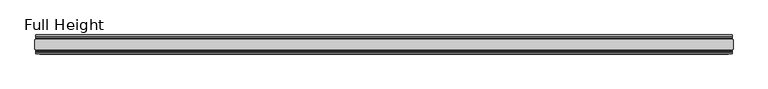
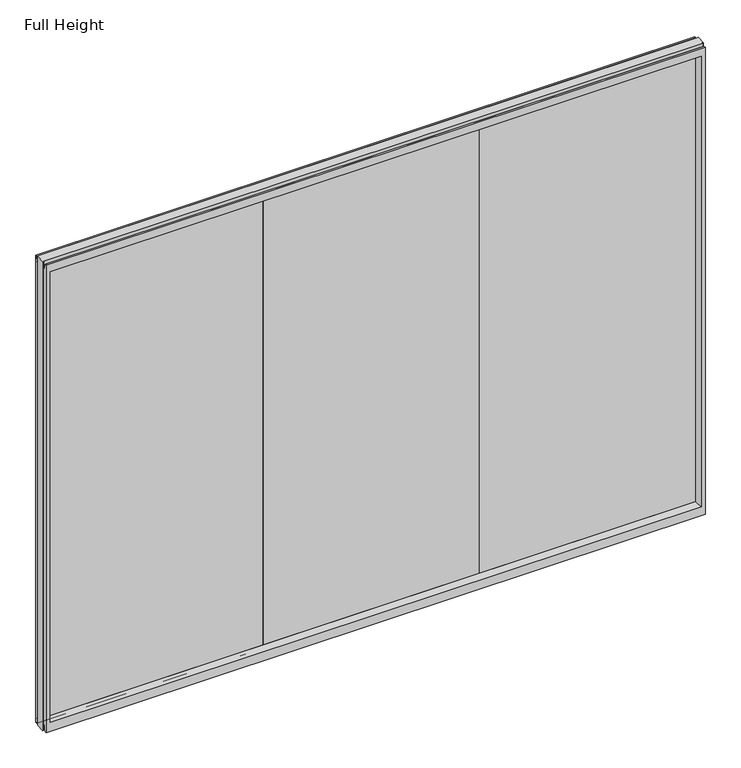
"""IFC4 building model written with IfcOpenShell, lengths in millimetres: plate geometry, Full Height."""

from ifc_helpers import new_model, si_unit, frame, origin, place, context, project, spatial, polyline, circle_curve, outline, extrude, source, transform, mapped, element, save
from ifc_brep_helpers import plane_surface, cylinder_surface, revolved_surface, advanced_brep


def full_height_88d308dd(model_context):
    return source(origin(), model_context, "Body", "SolidModel", [
        extrude(outline(polyline([(598.7203333, 6.35), (598.7203333, -6.35), (-598.7203333, -6.35), (-598.7203333, 6.35), (598.7203333, 6.35)])), frame((0.0, 0.0, 58.801), z_axis=(0.0, 0.0, 1.0), x_axis=(1.0, 0.0, 0.0)), (0.0, 0.0, 1.0), 2624.709),
        extrude(outline(polyline([(-598.7203333, 6.35), (-598.7203333, -6.35), (-1796.161, -6.35), (-1796.161, 6.35), (-598.7203333, 6.35)])), frame((0.0, 0.0, 58.801), z_axis=(0.0, 0.0, 1.0), x_axis=(1.0, 0.0, 0.0)), (0.0, 0.0, 1.0), 2624.709),
        extrude(outline(polyline([(598.7203333, 6.35), (1796.161, 6.35), (1796.161, -6.35), (598.7203333, -6.35), (598.7203333, 6.35)])), frame((0.0, 0.0, 58.801), z_axis=(0.0, 0.0, 1.0), x_axis=(1.0, 0.0, 0.0)), (0.0, 0.0, 1.0), 2624.709),
        advanced_brep(
        [(1828.8, 25.146, 2743.2), (1824.228, 25.146, 2743.2), (1824.228, 26.67, 2743.2), (-1824.228, 26.67, 2743.2), (-1824.228, 25.146, 2743.2), (-1828.8, 25.146, 2743.2), (-1828.8, -25.146, 2743.2), (-1824.228, -25.146, 2743.2), (-1824.228, -26.67, 2743.2), (1824.228, -26.67, 2743.2), (1824.228, -25.146, 2743.2), (1828.8, -25.146, 2743.2), (1828.8, 25.146, 0.0), (1828.8, -25.146, 0.0), (1824.228, -25.146, 0.0), (1824.228, -26.67, 0.0), (-1824.228, -26.67, 0.0), (-1824.228, -25.146, 0.0), (-1828.8, -25.146, 0.0), (-1828.8, 25.146, 0.0), (-1824.228, 25.146, 0.0), (-1824.228, 26.67, 0.0), (1824.228, 26.67, 0.0), (1824.228, 25.146, 0.0), (-1824.228, 40.7946686, 0.0), (-1824.228, 50.0, 0.0), (1824.228, 50.0, 0.0), (1824.228, 40.7946686, 0.0), (-1824.228, 26.67, 36.4542208), (1824.228, 26.67, 36.4542208), (-1824.228, -26.67, 36.4542208), (-1824.228, -34.2686707, 36.8568054), (-1824.228, -36.9464913, 11.6561909), (-1824.228, -39.043018, 8.6755976), (-1824.228, -39.5246686, 7.9074686), (-1824.228, -39.5246686, 1.27), (-1824.228, -40.7946686, 0.0), (-1824.228, -50.0, 0.0), (-1824.228, -50.0, 2734.056), (-1824.228, -39.9371387, 2734.056), (-1824.228, -39.1867152, 2733.4263199), (-1824.228, -34.2321175, 2705.3274004), (-1824.228, -26.67, 2705.989), (-1824.228, 39.5246686, 1.27), (-1824.228, 39.5246686, 7.9074686), (-1824.228, 39.043018, 8.6755976), (-1824.228, 36.9464913, 11.6561909), (-1824.228, 34.2686707, 36.8568054), (-1824.228, 26.67, 2705.989), (-1824.228, 34.2321175, 2705.3274004), (-1824.228, 39.1867152, 2733.4263199), (-1824.228, 39.9371387, 2734.056), (-1824.228, 50.0, 2734.056), (1824.228, -50.0, 0.0), (1824.228, -50.0, 2734.056), (-1802.13, -50.0, 2689.479), (1802.13, -50.0, 2689.479), (1802.13, -50.0, 52.8372208), (-1802.13, -50.0, 52.8372208), (1824.228, 50.0, 2734.056), (-1802.13, 50.0, 52.8372208), (1802.13, 50.0, 52.8372208), (1802.13, 50.0, 2689.479), (-1802.13, 50.0, 2689.479), (-1796.161, -6.1006519, 58.8062208), (-1796.161, -6.1006519, 2683.51), (-1796.161, 6.1006519, 2683.51), (-1796.161, 6.1006519, 58.8062208), (1796.161, 6.1006519, 58.8062208), (1796.161, 6.1006519, 2683.51), (1796.161, -6.1006519, 2683.51), (1796.161, -6.1006519, 58.8062208), (1824.228, -40.7946686, 0.0), (1824.228, -39.5246686, 1.27), (1824.228, -39.5246686, 7.9074686), (1824.228, -39.043018, 8.6755976), (1824.228, -36.9464913, 11.6561909), (1824.228, -34.2686707, 36.8568054), (1824.228, -26.67, 36.4542208), (1824.228, -26.67, 2705.989), (1824.228, -34.2321175, 2705.3274004), (1824.228, -39.1867152, 2733.4263199), (1824.228, -39.9371387, 2734.056), (1824.228, 39.9371387, 2734.056), (1824.228, 39.1867152, 2733.4263199), (1824.228, 34.2321175, 2705.3274004), (1824.228, 26.67, 2705.989), (1824.228, 34.2686707, 36.8568054), (1824.228, 36.9464913, 11.6561909), (1824.228, 39.043018, 8.6755976), (1824.228, 39.5246686, 7.9074686), (1824.228, 39.5246686, 1.27)],
        [
            (0, 1),
            (1, 2),
            (2, 3),
            (3, 4),
            (4, 5),
            (5, 6),
            (6, 7),
            (7, 8),
            (8, 9),
            (9, 10),
            (10, 11),
            (11, 0),
            (12, 13),
            (13, 14),
            (14, 15),
            (15, 16),
            (16, 17),
            (17, 18),
            (18, 19),
            (19, 20),
            (20, 21),
            (21, 22),
            (22, 23),
            (23, 12),
            (23, 1),
            (0, 12),
            (10, 14),
            (13, 11),
            (5, 19),
            (18, 6),
            (17, 7),
            (4, 20),
            (24, 25),
            (25, 26),
            (26, 27),
            (27, 24),
            (21, 28),
            (28, 29),
            (29, 22),
            (16, 30),
            (30, 31, circle_curve(frame((-1824.228, -30.48, 36.4542208), z_axis=(1.0, 0.0, 0.0), x_axis=(0.0, -1.0, 0.0)), 3.81)),
            (31, 32),
            (32, 33, circle_curve(frame((-1824.228, -40.6770502, 12.0526006), z_axis=(-1.0, 0.0, 0.0), x_axis=(0.0, -1.0, 0.0)), 3.751561)),
            (33, 34, circle_curve(frame((-1824.228, -38.671343, 7.9074686), z_axis=(1.0, 0.0, 0.0), x_axis=(0.0, -1.0, 0.0)), 0.8533256)),
            (34, 35),
            (35, 36, circle_curve(frame((-1824.228, -40.7946686, 1.27), z_axis=(-1.0, 0.0, 0.0), x_axis=(0.0, -1.0, 0.0)), 1.27)),
            (36, 37),
            (37, 38),
            (38, 39),
            (39, 40, circle_curve(frame((-1824.228, -39.9371387, 2733.294), z_axis=(-1.0, 0.0, 0.0), x_axis=(0.0, -1.0, 0.0)), 0.762)),
            (40, 41),
            (41, 42, circle_curve(frame((-1824.228, -30.48, 2705.989), z_axis=(1.0, 0.0, 0.0), x_axis=(0.0, -1.0, 0.0)), 3.81)),
            (42, 8),
            (24, 43, circle_curve(frame((-1824.228, 40.7946686, 1.27), z_axis=(-1.0, 0.0, 0.0), x_axis=(0.0, -1.0, 0.0)), 1.27)),
            (43, 44),
            (44, 45, circle_curve(frame((-1824.228, 38.671343, 7.9074686), z_axis=(1.0, 0.0, 0.0), x_axis=(0.0, -1.0, 0.0)), 0.8533256)),
            (45, 46, circle_curve(frame((-1824.228, 40.6770502, 12.0526006), z_axis=(-1.0, 0.0, 0.0), x_axis=(0.0, -1.0, 0.0)), 3.751561)),
            (46, 47),
            (47, 28, circle_curve(frame((-1824.228, 30.48, 36.4542208), z_axis=(1.0, 0.0, 0.0), x_axis=(0.0, -1.0, 0.0)), 3.81)),
            (3, 48),
            (48, 49, circle_curve(frame((-1824.228, 30.48, 2705.989), z_axis=(1.0, 0.0, 0.0), x_axis=(0.0, -1.0, 0.0)), 3.81)),
            (49, 50),
            (50, 51, circle_curve(frame((-1824.228, 39.9371387, 2733.294), z_axis=(-1.0, 0.0, 0.0), x_axis=(0.0, -1.0, 0.0)), 0.762)),
            (51, 52),
            (52, 25),
            (37, 53),
            (53, 54),
            (54, 38),
            (55, 56),
            (56, 57),
            (57, 58),
            (58, 55),
            (52, 59),
            (59, 26),
            (60, 61),
            (61, 62),
            (62, 63),
            (63, 60),
            (58, 64),
            (64, 65),
            (65, 55),
            (63, 66),
            (66, 67),
            (67, 60),
            (61, 68),
            (68, 69),
            (69, 62),
            (70, 71),
            (71, 57),
            (56, 70),
            (53, 72),
            (72, 73, circle_curve(frame((1824.228, -40.7946686, 1.27), z_axis=(1.0, 0.0, 0.0), x_axis=(0.0, -1.0, 0.0)), 1.27)),
            (73, 74),
            (74, 75, circle_curve(frame((1824.228, -38.671343, 7.9074686), z_axis=(-1.0, 0.0, 0.0), x_axis=(0.0, -1.0, 0.0)), 0.8533256)),
            (75, 76, circle_curve(frame((1824.228, -40.6770502, 12.0526006), z_axis=(1.0, 0.0, 0.0), x_axis=(0.0, -1.0, 0.0)), 3.751561)),
            (76, 77),
            (77, 78, circle_curve(frame((1824.228, -30.48, 36.4542208), z_axis=(-1.0, 0.0, 0.0), x_axis=(0.0, -1.0, 0.0)), 3.81)),
            (78, 15),
            (9, 79),
            (79, 80, circle_curve(frame((1824.228, -30.48, 2705.989), z_axis=(-1.0, 0.0, 0.0), x_axis=(0.0, -1.0, 0.0)), 3.81)),
            (80, 81),
            (81, 82, circle_curve(frame((1824.228, -39.9371387, 2733.294), z_axis=(1.0, 0.0, 0.0), x_axis=(0.0, -1.0, 0.0)), 0.762)),
            (82, 54),
            (59, 83),
            (83, 84, circle_curve(frame((1824.228, 39.9371387, 2733.294), z_axis=(1.0, 0.0, 0.0), x_axis=(0.0, -1.0, 0.0)), 0.762)),
            (84, 85),
            (85, 86, circle_curve(frame((1824.228, 30.48, 2705.989), z_axis=(-1.0, 0.0, 0.0), x_axis=(0.0, -1.0, 0.0)), 3.81)),
            (86, 2),
            (29, 87, circle_curve(frame((1824.228, 30.48, 36.4542208), z_axis=(-1.0, 0.0, 0.0), x_axis=(0.0, -1.0, 0.0)), 3.81)),
            (87, 88),
            (88, 89, circle_curve(frame((1824.228, 40.6770502, 12.0526006), z_axis=(1.0, 0.0, 0.0), x_axis=(0.0, -1.0, 0.0)), 3.751561)),
            (89, 90, circle_curve(frame((1824.228, 38.671343, 7.9074686), z_axis=(-1.0, 0.0, 0.0), x_axis=(0.0, -1.0, 0.0)), 0.8533256)),
            (90, 91),
            (91, 27, circle_curve(frame((1824.228, 40.7946686, 1.27), z_axis=(1.0, 0.0, 0.0), x_axis=(0.0, -1.0, 0.0)), 1.27)),
            (91, 43),
            (90, 44),
            (89, 45),
            (88, 46),
            (87, 47),
            (78, 30),
            (31, 77),
            (76, 32),
            (75, 33),
            (74, 34),
            (73, 35),
            (72, 36),
            (71, 64),
            (67, 68),
            (86, 48),
            (85, 49),
            (84, 50),
            (83, 51),
            (69, 66),
            (65, 70),
            (82, 39),
            (81, 40),
            (80, 41),
            (79, 42),
            (65, 66),
            (69, 70),
            (71, 68),
            (67, 64),
        ],
        [
            plane_surface(frame((1824.228, 25.146, 2743.2), z_axis=(0.0, 0.0, 1.0), x_axis=(-1.0, 0.0, 0.0))),
            plane_surface(frame((1824.228, 25.146, 0.0), z_axis=(0.0, 0.0, -1.0), x_axis=(1.0, 0.0, 0.0))),
            plane_surface(frame((1828.8, 25.146, 2743.2), z_axis=(0.0, 1.0, 0.0), x_axis=(0.0, 0.0, -1.0))),
            plane_surface(frame((1824.228, -25.146, 2743.2), z_axis=(0.0, -1.0, 0.0), x_axis=(0.0, 0.0, -1.0))),
            plane_surface(frame((1828.8, -25.146, 2743.2), z_axis=(1.0, 0.0, 0.0), x_axis=(0.0, 0.0, -1.0))),
            plane_surface(frame((-1828.8, 25.146, 2743.2), z_axis=(-1.0, 0.0, 0.0), x_axis=(0.0, 0.0, -1.0))),
            plane_surface(frame((-1828.8, -25.146, 2743.2), z_axis=(0.0, -1.0, 0.0), x_axis=(0.0, 0.0, -1.0))),
            plane_surface(frame((-1824.228, 25.146, 2743.2), z_axis=(0.0, 1.0, 0.0), x_axis=(0.0, 0.0, -1.0))),
            plane_surface(frame((-1824.228, 50.0, 0.0), z_axis=(0.0, 0.0, -1.0), x_axis=(1.0, 0.0, 0.0))),
            plane_surface(frame((-1824.228, 26.67, 36.4542208), z_axis=(0.0, 1.0, 0.0), x_axis=(1.0, 0.0, 0.0))),
            plane_surface(frame((-1824.228, 50.0, 2701.2646), z_axis=(-1.0, 0.0, 0.0), x_axis=(0.0, 0.0, -1.0))),
            plane_surface(frame((-1824.228, -50.0, 2701.2646), z_axis=(0.0, -1.0, 0.0), x_axis=(0.0, 0.0, -1.0))),
            plane_surface(frame((-1802.13, 50.0, 2701.2646), z_axis=(0.0, 1.0, 0.0), x_axis=(0.0, 0.0, -1.0))),
            plane_surface(frame((-1802.13, -50.0, 2701.2646), z_axis=(0.9908822943533606, -0.13473039277393942, 0.0), x_axis=(0.0, 0.0, -1.0))),
            plane_surface(frame((-1796.161, 6.1006519, 2701.2646), z_axis=(0.9908822943533612, 0.13473039277393595, 0.0), x_axis=(0.0, 0.0, -1.0))),
            plane_surface(frame((1802.13, 50.0, 2701.2646), z_axis=(-0.9908822943533577, 0.13473039277396132, 0.0), x_axis=(0.0, 0.0, -1.0))),
            plane_surface(frame((1796.161, -6.1006519, 2701.2646), z_axis=(-0.9908822943533535, -0.13473039277399257, 0.0), x_axis=(0.0, 0.0, -1.0))),
            plane_surface(frame((1824.228, -50.0, 2701.2646), z_axis=(1.0, 0.0, 0.0), x_axis=(0.0, 0.0, -1.0))),
            cylinder_surface(frame((1824.228, 40.7946686, 1.27), z_axis=(-1.0, 0.0, 0.0), x_axis=(0.0, -1.0, 0.0)), 1.27),
            plane_surface(frame((-1824.228, 39.5246686, 1.27), z_axis=(0.0, -1.0, 0.0), x_axis=(1.0, 0.0, 0.0))),
            revolved_surface(polyline([(1824.228, 37.8180174, 7.9074686), (-1824.228, 37.8180174, 7.9074686)]), (1824.228, 38.671343, 7.9074686), (1.0, 0.0, 0.0)),
            cylinder_surface(frame((1824.228, 40.6770502, 12.0526006), z_axis=(-1.0, 0.0, 0.0), x_axis=(0.0, -1.0, 0.0)), 3.751561),
            plane_surface(frame((-1824.228, 36.9464913, 11.6561909), z_axis=(0.0, -0.9944017560866671, -0.10566526151840352), x_axis=(1.0, 0.0, 0.0))),
            plane_surface(frame((-1824.228, -26.67, 0.0), z_axis=(0.0, -1.0, 0.0), x_axis=(1.0, 0.0, 0.0))),
            plane_surface(frame((-1824.228, -34.2686707, 36.8568054), z_axis=(0.0, 0.9944017560866221, -0.1056652615188275), x_axis=(1.0, 0.0, 0.0))),
            cylinder_surface(frame((1824.228, -40.6770502, 12.0526006), z_axis=(-1.0, 0.0, 0.0), x_axis=(0.0, -1.0, 0.0)), 3.751561),
            revolved_surface(polyline([(1824.228, -39.5246686, 7.9074686), (-1824.228, -39.5246686, 7.9074686)]), (1824.228, -38.671343, 7.9074686), (1.0, 0.0, 0.0)),
            plane_surface(frame((-1824.228, -39.5246686, 7.9074686), z_axis=(0.0, 1.0, 0.0), x_axis=(1.0, 0.0, 0.0))),
            cylinder_surface(frame((1824.228, -40.7946686, 1.27), z_axis=(-1.0, 0.0, 0.0), x_axis=(0.0, -1.0, 0.0)), 1.27),
            plane_surface(frame((-1824.228, -40.7946686, 0.0), z_axis=(0.0, 0.0, -1.0), x_axis=(1.0, 0.0, 0.0))),
            plane_surface(frame((-1824.228, -50.0, 52.8372208), z_axis=(0.0, -0.13473039277394736, 0.9908822943533596), x_axis=(1.0, 0.0, 0.0))),
            plane_surface(frame((-1824.228, 6.1006519, 58.8062208), z_axis=(0.0, 0.13473039277399934, 0.9908822943533526), x_axis=(1.0, 0.0, 0.0))),
            revolved_surface(polyline([(1824.228, 26.67, 36.4542208), (-1824.228, 26.67, 36.4542208)]), (1824.228, 30.48, 36.4542208), (1.0, 0.0, 0.0)),
            revolved_surface(polyline([(1824.228, -34.29, 36.4542208), (-1824.228, -34.29, 36.4542208)]), (1824.228, -30.48, 36.4542208), (1.0, 0.0, 0.0)),
            plane_surface(frame((-1824.228, 26.67, 2743.2), z_axis=(0.0, 1.0, 0.0), x_axis=(1.0, 0.0, 0.0))),
            revolved_surface(polyline([(1824.2280000000003, 26.67, 2705.989), (-1824.228, 26.67, 2705.989)]), (-1828.8, 30.48, 2705.989), (1.0, 0.0, 0.0)),
            plane_surface(frame((-1824.228, 34.2321175, 2705.3274004), z_axis=(0.0, -0.9848077530113117, 0.17364817767201388), x_axis=(1.0, 0.0, 0.0))),
            cylinder_surface(frame((-1828.8, 39.9371387, 2733.294), z_axis=(-1.0, 0.0, 0.0), x_axis=(0.0, -1.0, 0.0)), 0.762),
            plane_surface(frame((-1824.228, 39.9371387, 2734.056), z_axis=(0.0, 0.0, 1.0), x_axis=(1.0, 0.0, 0.0))),
            plane_surface(frame((-1824.228, 50.0, 2689.479), z_axis=(0.0, 0.13473039277345047, -0.9908822943534271), x_axis=(1.0, 0.0, 0.0))),
            plane_surface(frame((-1824.228, -6.1006519, 2683.51), z_axis=(0.0, -0.13473039277247864, -0.9908822943535593), x_axis=(1.0, 0.0, 0.0))),
            plane_surface(frame((-1824.228, -50.0, 2734.056), z_axis=(0.0, 0.0, 1.0), x_axis=(1.0, 0.0, 0.0))),
            cylinder_surface(frame((-1828.8, -39.9371387, 2733.294), z_axis=(-1.0, 0.0, 0.0), x_axis=(0.0, -1.0, 0.0)), 0.762),
            plane_surface(frame((-1824.228, -39.1867152, 2733.4263199), z_axis=(0.0, 0.9848077530103958, 0.17364817767720855), x_axis=(1.0, 0.0, 0.0))),
            revolved_surface(polyline([(1824.2280000000003, -34.29, 2705.989), (-1824.228, -34.29, 2705.989)]), (-1828.8, -30.48, 2705.989), (1.0, 0.0, 0.0)),
            plane_surface(frame((-1824.228, -26.67, 2705.989), z_axis=(0.0, -1.0, 0.0), x_axis=(1.0, 0.0, 0.0))),
            plane_surface(frame((-1824.228, 6.1006519, 2683.51), z_axis=(0.0, 0.0, -1.0), x_axis=(1.0, 0.0, 0.0))),
            plane_surface(frame((-1824.228, -6.1006519, 58.8062208), z_axis=(0.0, 0.0, 1.0), x_axis=(1.0, 0.0, 0.0))),
            plane_surface(frame((-1796.161, -6.1006519, 2701.2646), z_axis=(1.0, 0.0, 0.0), x_axis=(0.0, 0.0, -1.0))),
            plane_surface(frame((1796.161, 6.1006519, 2701.2646), z_axis=(-1.0, 0.0, 0.0), x_axis=(0.0, 0.0, -1.0))),
        ],
        [
            (0, [[1, 2, 3, 4, 5, 6, 7, 8, 9, 10, 11, 12]]),
            (1, [[13, 14, 15, 16, 17, 18, 19, 20, 21, 22, 23, 24]]),
            (2, [[25, -1, 26, -24]]),
            (3, [[-11, 27, -14, 28]]),
            (4, [[-12, -28, -13, -26]]),
            (5, [[-6, 29, -19, 30]]),
            (6, [[31, -7, -30, -18]]),
            (7, [[-5, 32, -20, -29]]),
            (8, [[33, 34, 35, 36]]),
            (9, [[37, 38, 39, -22]]),
            (10, [[-17, 40, 41, 42, 43, 44, 45, 46, 47, 48, 49, 50, 51, 52, 53, -8, -31]]),
            (10, [[-33, 54, 55, 56, 57, 58, 59, -37, -21, -32, -4, 60, 61, 62, 63, 64, 65]]),
            (11, [[-48, 66, 67, 68], [69, 70, 71, 72]]),
            (12, [[-65, 73, 74, -34], [75, 76, 77, 78]]),
            (13, [[-72, 79, 80, 81]]),
            (14, [[-78, 82, 83, 84]]),
            (15, [[-76, 85, 86, 87]]),
            (16, [[88, 89, -70, 90]]),
            (17, [[-67, 91, 92, 93, 94, 95, 96, 97, 98, -15, -27, -10, 99, 100, 101, 102, 103]]),
            (17, [[-74, 104, 105, 106, 107, 108, -2, -25, -23, -39, 109, 110, 111, 112, 113, 114, -35]]),
            (18, [[-54, -36, -114, 115]]),
            (19, [[-55, -115, -113, 116]]),
            (20, [[-56, -116, -112, 117]]),
            (21, [[-57, -117, -111, 118]]),
            (22, [[-58, -118, -110, 119]]),
            (23, [[-40, -16, -98, 120]]),
            (24, [[-42, 121, -96, 122]]),
            (25, [[-43, -122, -95, 123]]),
            (26, [[-44, -123, -94, 124]]),
            (27, [[-45, -124, -93, 125]]),
            (28, [[-46, -125, -92, 126]]),
            (29, [[-47, -126, -91, -66]]),
            (30, [[-71, -89, 127, -79]]),
            (31, [[-75, -84, 128, -85]]),
            (32, [[-59, -119, -109, -38]]),
            (33, [[-41, -120, -97, -121]]),
            (34, [[-60, -3, -108, 129]]),
            (35, [[-61, -129, -107, 130]]),
            (36, [[-62, -130, -106, 131]]),
            (37, [[-63, -131, -105, 132]]),
            (38, [[-64, -132, -104, -73]]),
            (39, [[-77, -87, 133, -82]]),
            (40, [[-69, -81, 134, -90]]),
            (41, [[-49, -68, -103, 135]]),
            (42, [[-50, -135, -102, 136]]),
            (43, [[-51, -136, -101, 137]]),
            (44, [[-52, -137, -100, 138]]),
            (45, [[-53, -138, -99, -9]]),
            (46, [[-134, 139, -133, 140]]),
            (47, [[-127, 141, -128, 142]]),
            (48, [[-83, -139, -80, -142]]),
            (49, [[-88, -140, -86, -141]]),
        ],
    ),
        extrude(outline(polyline([(-1796.161, 6.35), (1796.161, 6.35), (1796.161, -6.35), (-1796.161, -6.35), (-1796.161, 6.35)])), frame((0.0, 0.0, 58.8062208), z_axis=(0.0, 0.0, 1.0), x_axis=(1.0, 0.0, 0.0)), (0.0, 0.0, 1.0), 2624.7037792),
    ])


if __name__ == "__main__":
    model = new_model("IFC4")
    model_context = context("Model", 3, world=origin())
    ifc_project = project(units=[si_unit("LENGTHUNIT", "METRE", prefix="MILLI")], contexts=[model_context])
    site = spatial("IfcSite", under=ifc_project)
    building = spatial("IfcBuilding", under=site)
    placement = place(None, origin())
    full_height_shape = full_height_88d308dd(model_context)
    element("IfcPlate", 1, ObjectType="Full Height", at=placement, inside=building, context=model_context, shape_type="MappedRepresentation", body=[
        mapped(full_height_shape, transform((0.0, 0.0, 0.0), x_axis=(1.0, 0.0, 0.0), y_axis=(0.0, 1.0, 0.0), z_axis=(0.0, 0.0, 1.0))),
    ])
    save(model, "model.ifc")
